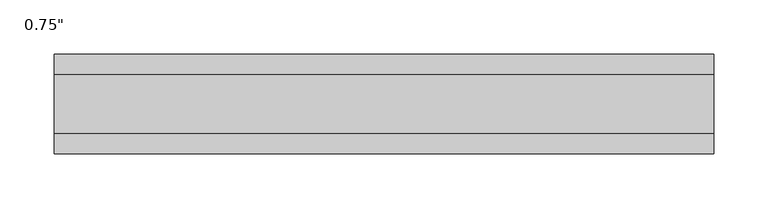
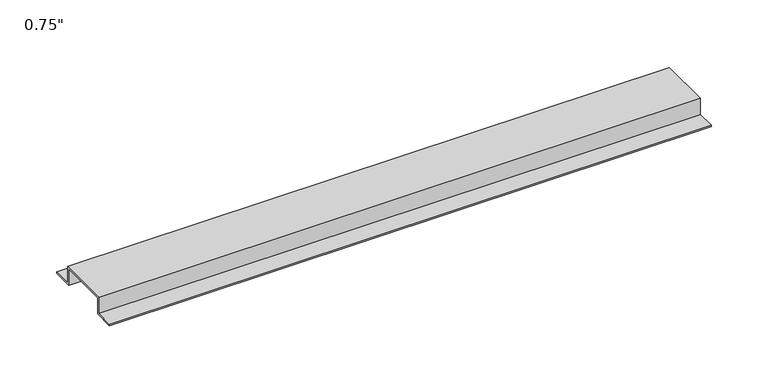
"""IFC4 building model written with IfcOpenShell, lengths in millimetres: proxy geometry."""

from ifc_helpers import new_model, si_unit, frame, origin, place, context, project, spatial, polyline, outline, extrude, source, transform, mapped, element, save


def proxy_69fb32aa(model_context):
    return source(origin(), model_context, "Body", "SweptSolid", [
        extrude(outline(polyline([(46.0559645, -17.4625), (25.4, -17.4625), (25.4, 0.0), (-25.4, 0.0), (-25.4, -17.4625), (-46.0559645, -17.4625), (-46.0559645, -15.8492), (-27.0129, -15.8492), (-27.0129, 1.6129), (27.0129, 1.6129), (27.0129, -15.8492), (46.0559645, -15.8492), (46.0559645, -17.4625)])), frame((0.0, 0.0, 0.0), z_axis=(1.0, 0.0, 0.0), x_axis=(0.0, 1.0, 0.0)), (0.0, 0.0, 1.0), 609.6),
    ])


if __name__ == "__main__":
    model = new_model("IFC4")
    model_context = context("Model", 3, world=origin())
    ifc_project = project(units=[si_unit("LENGTHUNIT", "METRE", prefix="MILLI")], contexts=[model_context])
    site = spatial("IfcSite", under=ifc_project)
    building = spatial("IfcBuilding", under=site)
    placement = place(None, origin())
    proxy_shape = proxy_69fb32aa(model_context)
    element("IfcBuildingElementProxy", 1, Name="0.75\"", ObjectType="0.75\"", at=placement, inside=building, context=model_context, shape_type="MappedRepresentation", body=[
        mapped(proxy_shape, transform((0.0, 0.0, 0.0), x_axis=(1.0, 0.0, 0.0), y_axis=(0.0, 1.0, 0.0), z_axis=(0.0, 0.0, 1.0))),
    ])
    save(model, "model.ifc")
